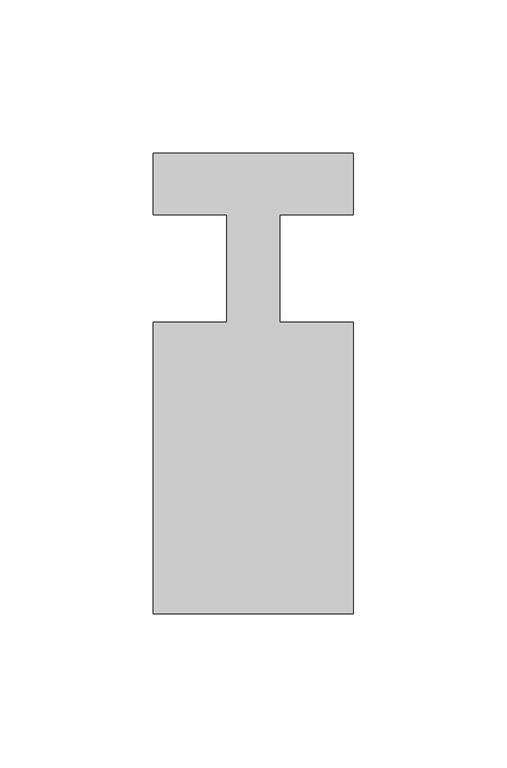
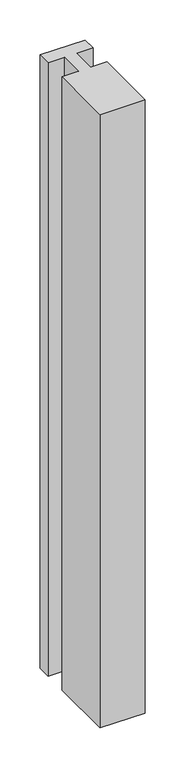
"""IFC4 building model written with IfcOpenShell, lengths in millimetres: member geometry."""

from ifc_helpers import new_model, si_unit, frame, origin, place, context, project, spatial, polyline, outline, extrude, source, transform, mapped, element, save


def member_be085ac4(model_context):
    return source(origin(), model_context, "Body", "SweptSolid", [
        extrude(outline(polyline([(0.0, 37.0), (0.0, 17.0), (-23.8125, 17.0), (-23.8125, -18.0), (0.0, -18.0), (0.0, -113.0), (-65.0, -113.0), (-65.0, -18.0), (-41.1875, -18.0), (-41.1875, 17.0), (-65.0, 17.0), (-65.0, 37.0), (0.0, 37.0)])), frame((0.0, 0.0, -935.8333333), z_axis=(0.0, 0.0, 1.0), x_axis=(1.0, 0.0, 0.0)), (0.0, 0.0, 1.0), 935.8333333),
    ])


if __name__ == "__main__":
    model = new_model("IFC4")
    model_context = context("Model", 3, world=origin())
    ifc_project = project(units=[si_unit("LENGTHUNIT", "METRE", prefix="MILLI")], contexts=[model_context])
    site = spatial("IfcSite", under=ifc_project)
    building = spatial("IfcBuilding", under=site)
    placement = place(None, origin())
    member_shape = member_be085ac4(model_context)
    element("IfcMember", 1, at=placement, inside=building, context=model_context, shape_type="MappedRepresentation", body=[
        mapped(member_shape, transform((0.0, 0.0, 0.0), x_axis=(1.0, 0.0, 0.0), y_axis=(0.0, 1.0, 0.0), z_axis=(0.0, 0.0, 1.0))),
    ])
    save(model, "model.ifc")
